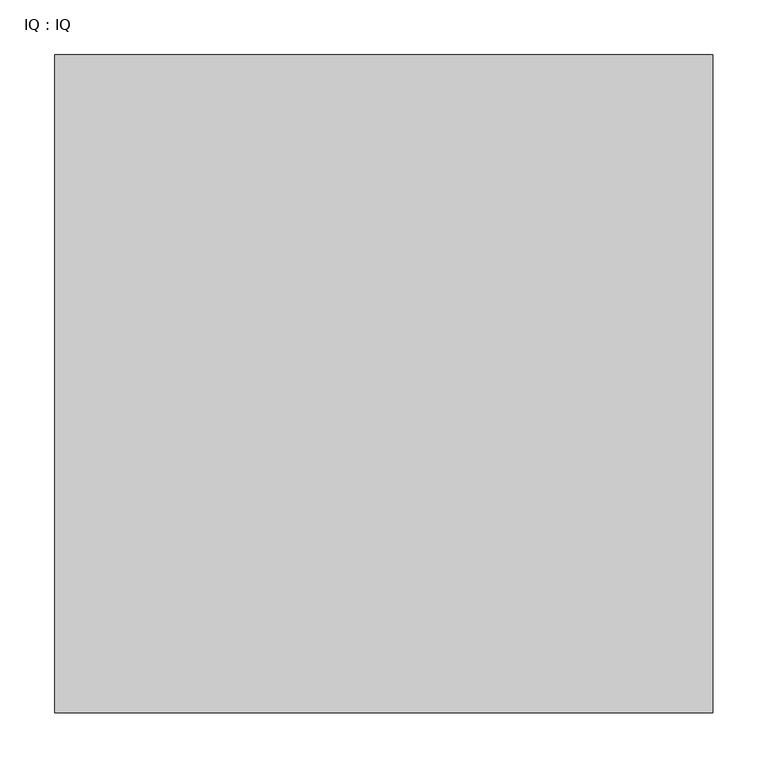
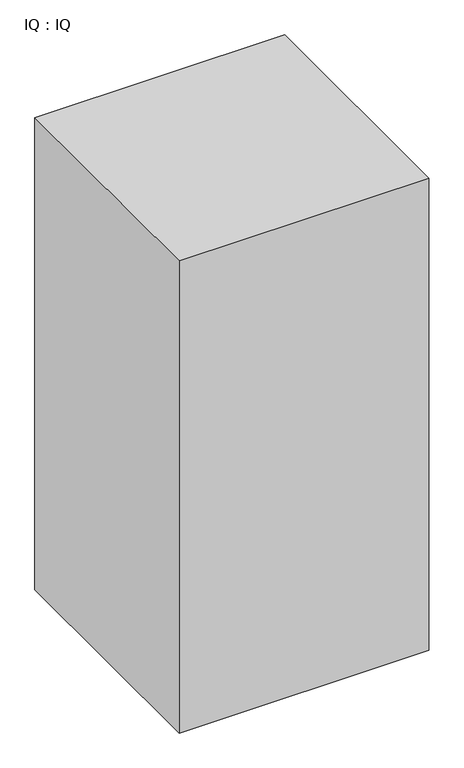
"""IFC4 building model written with IfcOpenShell, lengths in millimetres: proxy geometry, IQ : IQ."""

from ifc_helpers import new_model, si_unit, origin, origin_with_axes, place, context, project, spatial, polyline, outline, extrude, source, transform, mapped, element, save


def iq_iq_49d15df2(model_context):
    return source(origin(), model_context, "Body", "SweptSolid", [
        extrude(outline(polyline([(600.0, 600.0), (600.0, 0.0), (0.0, 0.0), (0.0, 600.0), (600.0, 600.0)])), origin_with_axes(), (0.0, 0.0, 1.0), 1200.0),
    ])


if __name__ == "__main__":
    model = new_model("IFC4")
    model_context = context("Model", 3, world=origin())
    ifc_project = project(units=[si_unit("LENGTHUNIT", "METRE", prefix="MILLI")], contexts=[model_context])
    site = spatial("IfcSite", under=ifc_project)
    building = spatial("IfcBuilding", under=site)
    placement = place(None, origin())
    iq_iq_shape = iq_iq_49d15df2(model_context)
    element("IfcBuildingElementProxy", 1, Name="IQ : IQ", ObjectType="IQ : IQ", at=placement, inside=building, context=model_context, shape_type="MappedRepresentation", body=[
        mapped(iq_iq_shape, transform((0.0, 0.0, 0.0), x_axis=(1.0, 0.0, 0.0), y_axis=(0.0, 1.0, 0.0), z_axis=(0.0, 0.0, 1.0))),
    ])
    save(model, "model.ifc")
